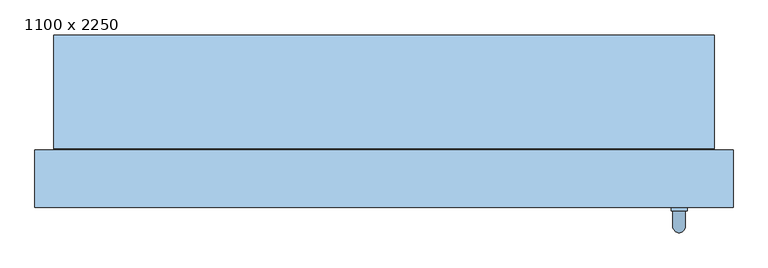
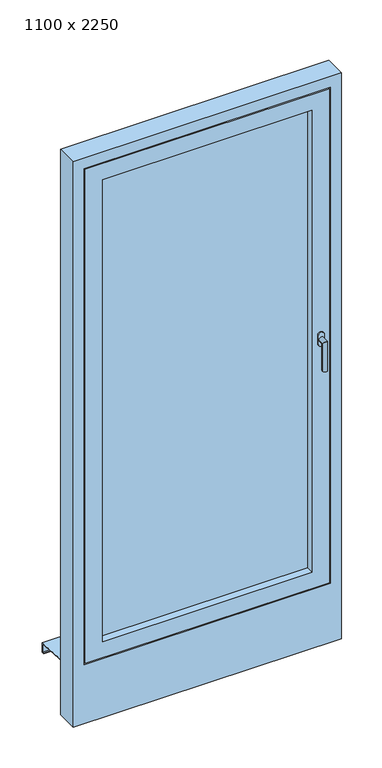
"""IFC4 building model written with IfcOpenShell, lengths in millimetres: window geometry, 1100 x 2250."""

from ifc_helpers import new_model, si_unit, frame, origin, place, context, project, spatial, polyline, circle_curve, ellipse_curve, outline, extrude, faceted_brep, source, transform, mapped, element, save
from ifc_brep_helpers import plane_surface, cylinder_surface, advanced_brep


def window_1100_x_2250_de1d1c99(model_context):
    return source(origin(), model_context, "Body", "SolidModel", [
        advanced_brep(
        [(452.5, -20.0, 1147.5), (477.5, -20.0, 1147.5), (477.5, -20.0, 1130.0), (477.5, -20.0, 1112.5), (452.5, -20.0, 1112.5), (452.5, -20.0, 1130.0), (475.0, -50.0, 1130.0), (475.0, -26.0, 1130.0), (455.0, -26.0, 1130.0), (455.0, -50.0, 1130.0), (475.0, -50.0, 1010.0), (455.0, -50.0, 1010.0), (452.5, -26.0, 1147.5), (452.5, -26.0, 1130.0), (452.5, -26.0, 1112.5), (477.5, -26.0, 1112.5), (477.5, -26.0, 1130.0), (477.5, -26.0, 1147.5)],
        [
            (0, 1, circle_curve(frame((465.0, -20.0, 1147.5), z_axis=(0.0, 1.0, 0.0), x_axis=(-1.0, 0.0, 0.0)), 12.5)),
            (1, 2),
            (2, 3),
            (3, 4, circle_curve(frame((465.0, -20.0, 1112.5), z_axis=(0.0, 1.0, 0.0), x_axis=(-1.0, 0.0, 0.0)), 12.5)),
            (4, 5),
            (5, 0),
            (6, 7),
            (7, 8, circle_curve(frame((465.0, -26.0, 1130.0), z_axis=(0.0, -1.0, 0.0), x_axis=(-1.0, 0.0, 0.0)), 10.0)),
            (8, 9),
            (9, 6, ellipse_curve(frame((465.0, -50.0, 1130.0), z_axis=(0.0, 0.7071067811865498, 0.7071067811865451), x_axis=(0.0, 0.7071067811865452, -0.7071067811865497)), 14.1421356, 10.0)),
            (8, 7, circle_curve(frame((465.0, -26.0, 1130.0), z_axis=(0.0, -1.0, 0.0), x_axis=(-1.0, 0.0, 0.0)), 10.0)),
            (6, 9, ellipse_curve(frame((465.0, -50.0, 1130.0), z_axis=(0.0, 0.7071067811865498, 0.7071067811865451), x_axis=(0.0, 0.7071067811865452, -0.7071067811865497)), 14.1421356, 10.0)),
            (10, 11, circle_curve(frame((465.0, -50.0, 1010.0), z_axis=(0.0, 0.0, -1.0), x_axis=(-1.0, 0.0, 0.0)), 10.0)),
            (11, 10, circle_curve(frame((465.0, -50.0, 1010.0), z_axis=(0.0, 0.0, -1.0), x_axis=(-1.0, 0.0, 0.0)), 10.0)),
            (9, 11),
            (10, 6),
            (12, 13),
            (13, 14),
            (14, 15, circle_curve(frame((465.0, -26.0, 1112.5), z_axis=(0.0, -1.0, 0.0), x_axis=(-1.0, 0.0, 0.0)), 12.5)),
            (15, 16),
            (16, 17),
            (17, 12, circle_curve(frame((465.0, -26.0, 1147.5), z_axis=(0.0, -1.0, 0.0), x_axis=(-1.0, 0.0, 0.0)), 12.5)),
            (17, 1),
            (0, 12),
            (16, 2),
            (15, 3),
            (14, 4),
            (13, 5),
        ],
        [
            plane_surface(frame((465.0, -20.0, 1130.0), z_axis=(0.0, 1.0, 0.0), x_axis=(-1.0, 0.0, 0.0))),
            cylinder_surface(frame((465.0, -20.0, 1130.0), z_axis=(0.0, 1.0, 0.0), x_axis=(-1.0, 0.0, 0.0)), 10.0),
            plane_surface(frame((465.0, -50.0, 1010.0), z_axis=(0.0, 0.0, -1.0), x_axis=(-1.0, 0.0, 0.0))),
            cylinder_surface(frame((465.0, -50.0, 1130.0), z_axis=(0.0, 0.0, 1.0), x_axis=(-1.0, 0.0, 0.0)), 10.0),
            plane_surface(frame((452.5, -26.0, 1147.5), z_axis=(0.0, -1.0, 0.0), x_axis=(0.0, 0.0, 1.0))),
            cylinder_surface(frame((465.0, -20.0, 1147.5), z_axis=(0.0, -1.0, 0.0), x_axis=(-1.0, 0.0, 0.0)), 12.5),
            plane_surface(frame((477.5, -26.0, 1147.5), z_axis=(1.0, 0.0, 0.0), x_axis=(0.0, 1.0, 0.0))),
            plane_surface(frame((477.5, -26.0, 1130.0), z_axis=(1.0, 0.0, 0.0), x_axis=(0.0, 1.0, 0.0))),
            cylinder_surface(frame((465.0, -20.0, 1112.5), z_axis=(0.0, -1.0, 0.0), x_axis=(-1.0, 0.0, 0.0)), 12.5),
            plane_surface(frame((452.5, -26.0, 1112.5), z_axis=(-1.0, 0.0, 0.0), x_axis=(0.0, 1.0, 0.0))),
            plane_surface(frame((452.5, -26.0, 1130.0), z_axis=(-1.0, 0.0, 0.0), x_axis=(0.0, 1.0, 0.0))),
        ],
        [
            (0, [[1, 2, 3, 4, 5, 6]]),
            (1, [[7, 8, 9, 10]]),
            (1, [[-9, 11, -7, 12]]),
            (2, [[13, 14]]),
            (3, [[15, -13, 16, -10]]),
            (3, [[-16, -14, -15, -12]]),
            (4, [[17, 18, 19, 20, 21, 22], [-11, -8]]),
            (5, [[23, -1, 24, -22]]),
            (6, [[25, -2, -23, -21]]),
            (7, [[26, -3, -25, -20]]),
            (8, [[27, -4, -26, -19]]),
            (9, [[28, -5, -27, -18]]),
            (10, [[-24, -6, -28, -17]]),
        ],
    ),
        faceted_brep([(-430.0, -20.0, 2130.0), (-430.0, -20.0, 130.0), (-430.0, 70.0, 130.0), (-430.0, 70.0, 2130.0), (-460.0, 70.0, 100.0), (-460.0, 70.0, 2160.0), (460.0, 70.0, 2160.0), (460.0, 70.0, 100.0), (430.0, 70.0, 130.0), (430.0, 70.0, 2130.0), (430.0, -20.0, 130.0), (-500.0, -20.0, 2200.0), (-500.0, -20.0, 60.0), (500.0, -20.0, 60.0), (500.0, -20.0, 2200.0), (430.0, -20.0, 2130.0), (-500.0, -5.0, 2200.0), (-500.0, -5.0, 60.0), (500.0, -5.0, 60.0), (500.0, -5.0, 2200.0), (-485.0, -5.0, 2185.0), (-485.0, -5.0, 75.0), (485.0, -5.0, 75.0), (485.0, -5.0, 2185.0), (-485.0, 25.0, 2185.0), (-485.0, 25.0, 75.0), (485.0, 25.0, 75.0), (485.0, 25.0, 2185.0), (-475.0, 25.0, 2175.0), (-475.0, 25.0, 85.0), (475.0, 25.0, 85.0), (475.0, 25.0, 2175.0), (-475.0, 55.0, 2175.0), (-475.0, 55.0, 85.0), (475.0, 55.0, 85.0), (475.0, 55.0, 2175.0), (-460.0, 55.0, 2160.0), (-460.0, 55.0, 100.0), (460.0, 55.0, 100.0), (460.0, 55.0, 2160.0)], [[[0, 1, 2, 3]], [[4, 5, 6, 7], [3, 2, 8, 9]], [[1, 10, 8, 2]], [[11, 12, 13, 14], [1, 0, 15, 10]], [[16, 17, 12, 11]], [[17, 18, 13, 12]], [[17, 16, 19, 18], [20, 21, 22, 23]], [[24, 25, 21, 20]], [[25, 26, 22, 21]], [[25, 24, 27, 26], [28, 29, 30, 31]], [[32, 33, 29, 28]], [[33, 34, 30, 29]], [[33, 32, 35, 34], [36, 37, 38, 39]], [[5, 4, 37, 36]], [[4, 7, 38, 37]], [[10, 15, 9, 8]], [[18, 19, 14, 13]], [[26, 27, 23, 22]], [[34, 35, 31, 30]], [[7, 6, 39, 38]], [[15, 0, 3, 9]], [[19, 16, 11, 14]], [[27, 24, 20, 23]], [[35, 32, 28, 31]], [[6, 5, 36, 39]]]),
        extrude(outline(polyline([(-430.0, 55.0), (430.0, 55.0), (430.0, 11.0), (-430.0, 11.0), (-430.0, 55.0)])), frame((0.0, 0.0, 130.0), z_axis=(0.0, 0.0, 1.0), x_axis=(1.0, 0.0, 0.0)), (0.0, 0.0, 1.0), 2000.0),
        faceted_brep([(-520.0, 252.0, -9.3747566), (-520.0, 230.0, -7.9997566), (-520.0, 72.0, 1.8752434), (520.0, 72.0, 1.8752434), (520.0, 230.0, -7.9997566), (520.0, 252.0, -9.3747566), (-520.0, 252.0, -49.3747566), (520.0, 252.0, -49.3747566), (-520.0, 240.0, -49.3747566), (520.0, 240.0, -49.3747566), (-520.0, 240.0, -47.3747566), (520.0, 240.0, -47.3747566), (-520.0, 250.0, -47.3747566), (520.0, 250.0, -47.3747566), (-520.0, 250.0, -11.25), (520.0, 250.0, -11.25), (-520.0, 230.0, -10.0), (520.0, 230.0, -10.0), (520.0, 70.0, 0.0), (-520.0, 70.0, 0.0), (-520.0, 70.0, 20.0), (520.0, 70.0, 20.0), (-520.0, 72.0, 20.0), (520.0, 72.0, 20.0)], [[[0, 1, 2, 3, 4, 5]], [[6, 0, 5, 7]], [[8, 6, 7, 9]], [[10, 8, 9, 11]], [[12, 10, 11, 13]], [[14, 12, 13, 15]], [[16, 14, 15, 17, 18, 19]], [[20, 19, 18, 21]], [[22, 20, 21, 23]], [[2, 22, 23, 3]], [[16, 1, 0, 6, 8, 10, 12, 14]], [[17, 4, 3, 23, 21, 18]], [[1, 16, 19, 20, 22, 2]], [[4, 17, 15, 13, 11, 9, 7, 5]]]),
        faceted_brep([(550.0, 70.0, -200.0), (550.0, -20.0, -200.0), (-550.0, -20.0, -200.0), (-550.0, 70.0, -200.0), (550.0, 70.0, 2250.0), (550.0, -20.0, 2250.0), (-550.0, -20.0, 2250.0), (505.0, -20.0, 2205.0), (505.0, -20.0, 55.0), (-505.0, -20.0, 55.0), (-505.0, -20.0, 2205.0), (-550.0, 70.0, 2250.0), (465.0, 70.0, 95.0), (465.0, 70.0, 2165.0), (-465.0, 70.0, 2165.0), (-465.0, 70.0, 95.0), (465.0, 55.0, 95.0), (465.0, 55.0, 2165.0), (-465.0, 55.0, 95.0), (-465.0, 55.0, 2165.0), (505.0, -5.0, 2205.0), (505.0, -5.0, 55.0), (-505.0, -5.0, 55.0), (-505.0, -5.0, 2205.0), (490.0, -5.0, 2190.0), (490.0, -5.0, 70.0), (-490.0, -5.0, 70.0), (-490.0, -5.0, 2190.0), (490.0, 25.0, 70.0), (490.0, 25.0, 2190.0), (-490.0, 25.0, 2190.0), (-490.0, 25.0, 70.0), (480.0, 25.0, 2180.0), (480.0, 25.0, 80.0), (-480.0, 25.0, 80.0), (-480.0, 25.0, 2180.0), (480.0, 55.0, 80.0), (480.0, 55.0, 2180.0), (-480.0, 55.0, 2180.0), (-480.0, 55.0, 80.0)], [[[0, 1, 2, 3]], [[4, 5, 1, 0]], [[5, 6, 2, 1], [7, 8, 9, 10]], [[6, 11, 3, 2]], [[11, 4, 0, 3], [12, 13, 14, 15]], [[12, 16, 17, 13]], [[18, 15, 14, 19]], [[16, 12, 15, 18]], [[20, 21, 8, 7]], [[8, 21, 22, 9]], [[9, 22, 23, 10]], [[21, 20, 23, 22], [24, 25, 26, 27]], [[28, 29, 30, 31], [32, 33, 34, 35]], [[29, 28, 25, 24]], [[25, 28, 31, 26]], [[36, 37, 38, 39], [17, 16, 18, 19]], [[37, 36, 33, 32]], [[33, 36, 39, 34]], [[26, 31, 30, 27]], [[34, 39, 38, 35]], [[4, 11, 6, 5]], [[20, 7, 10, 23]], [[29, 24, 27, 30]], [[37, 32, 35, 38]], [[13, 17, 19, 14]]]),
    ])


if __name__ == "__main__":
    model = new_model("IFC4")
    model_context = context("Model", 3, world=origin())
    ifc_project = project(units=[si_unit("LENGTHUNIT", "METRE", prefix="MILLI")], contexts=[model_context])
    site = spatial("IfcSite", under=ifc_project)
    building = spatial("IfcBuilding", under=site)
    placement = place(None, origin())
    window_1100_x_2250_shape = window_1100_x_2250_de1d1c99(model_context)
    element("IfcWindow", 1, ObjectType="1100 x 2250", at=placement, inside=building, context=model_context, shape_type="MappedRepresentation", body=[
        mapped(window_1100_x_2250_shape, transform((0.0, 0.0, 0.0), x_axis=(1.0, 0.0, 0.0), y_axis=(0.0, 1.0, 0.0), z_axis=(0.0, 0.0, 1.0))),
    ])
    save(model, "model.ifc")
